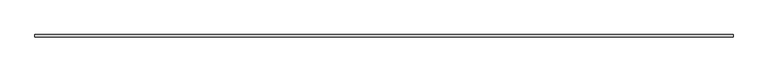
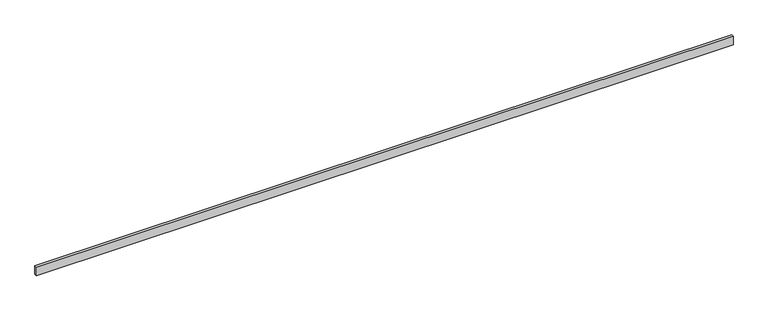
"""IFC4 building model written with IfcOpenShell, lengths in millimetres: beam geometry."""

from ifc_helpers import new_model, si_unit, frame, origin, place, context, project, spatial, polyline, outline, extrude, source, transform, mapped, element, save


def beam_25757c51(model_context):
    return source(origin(), model_context, "Body", "SweptSolid", [
        extrude(outline(polyline([(5334.0, -19.05), (-5334.0, -19.05), (-5334.0, 19.05), (5334.0, 19.05), (5334.0, -19.05)])), frame((0.0, 0.0, -69.85), z_axis=(0.0, 0.0, 1.0), x_axis=(1.0, 0.0, 0.0)), (0.0, 0.0, 1.0), 139.7),
    ])


if __name__ == "__main__":
    model = new_model("IFC4")
    model_context = context("Model", 3, world=origin())
    ifc_project = project(units=[si_unit("LENGTHUNIT", "METRE", prefix="MILLI")], contexts=[model_context])
    site = spatial("IfcSite", under=ifc_project)
    building = spatial("IfcBuilding", under=site)
    placement = place(None, origin())
    beam_shape = beam_25757c51(model_context)
    element("IfcBeam", 1, at=placement, inside=building, context=model_context, shape_type="MappedRepresentation", body=[
        mapped(beam_shape, transform((0.0, 0.0, 0.0), x_axis=(1.0, 0.0, 0.0), y_axis=(0.0, 1.0, 0.0), z_axis=(0.0, 0.0, 1.0))),
    ])
    save(model, "model.ifc")
